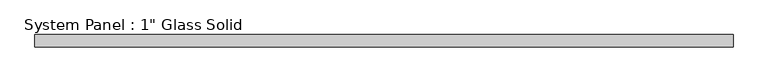
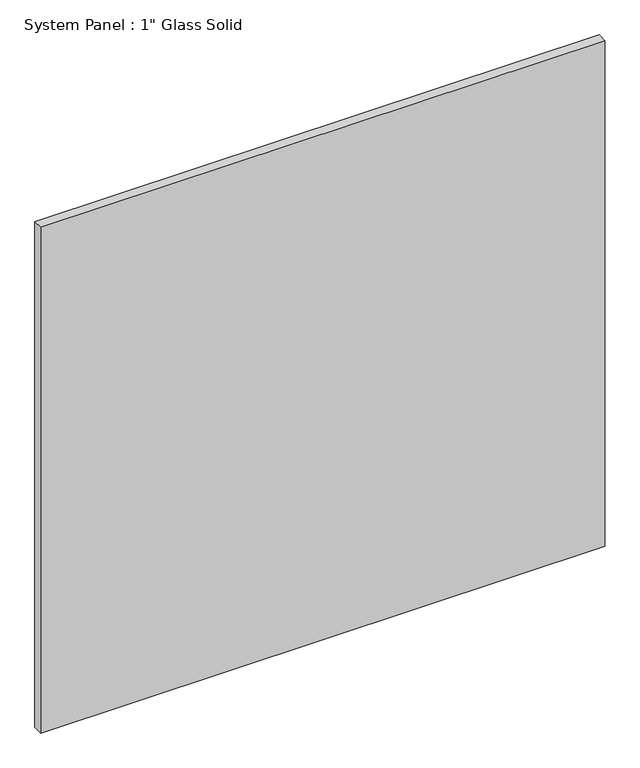
"""IFC4 building model written with IfcOpenShell, lengths in millimetres: plate geometry."""

from ifc_helpers import new_model, si_unit, origin, origin_with_axes, place, context, project, spatial, polyline, outline, extrude, source, transform, mapped, element, save


def plate_18728653(model_context):
    return source(origin(), model_context, "Body", "SweptSolid", [
        extrude(outline(polyline([(728.1342185, -12.7), (-728.1342185, -12.7), (-728.1342185, 12.7), (728.1342185, 12.7), (728.1342185, -12.7)])), origin_with_axes(), (0.0, 0.0, 1.0), 1380.2224231),
    ])


if __name__ == "__main__":
    model = new_model("IFC4")
    model_context = context("Model", 3, world=origin())
    ifc_project = project(units=[si_unit("LENGTHUNIT", "METRE", prefix="MILLI")], contexts=[model_context])
    site = spatial("IfcSite", under=ifc_project)
    building = spatial("IfcBuilding", under=site)
    placement = place(None, origin())
    plate_shape = plate_18728653(model_context)
    element("IfcPlate", 1, ObjectType="System Panel : 1\" Glass Solid", at=placement, inside=building, context=model_context, shape_type="MappedRepresentation", body=[
        mapped(plate_shape, transform((0.0, 0.0, 0.0), x_axis=(1.0, 0.0, 0.0), y_axis=(0.0, 1.0, 0.0), z_axis=(0.0, 0.0, 1.0))),
    ])
    save(model, "model.ifc")
